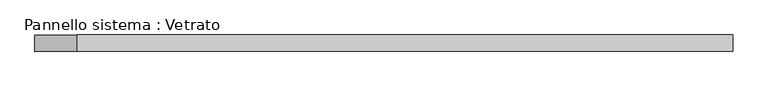
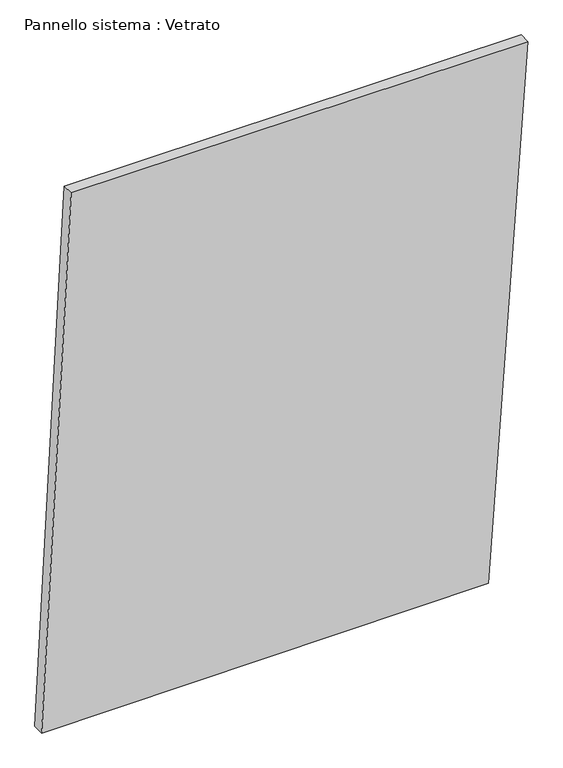
"""IFC4 building model written with IfcOpenShell, lengths in millimetres: plate geometry, Pannello sistema : Vetrato."""

from ifc_helpers import new_model, si_unit, frame, origin, place, context, project, spatial, polyline, outline, extrude, source, transform, mapped, element, save


def pannello_sistema_vetrato_6a021f14(model_context):
    return source(origin(), model_context, "Body", "SweptSolid", [
        extrude(outline(polyline([(0.0, -632.8730552), (5.1551556, 529.8744247), (1458.2179784, 632.8730552), (1458.2179784, -556.0413599), (0.0, -632.8730552)])), frame((0.0, -15.0, 0.0), z_axis=(0.0, 1.0, 0.0), x_axis=(0.0, 0.0, 1.0)), (0.0, 0.0, 1.0), 30.0),
    ])


if __name__ == "__main__":
    model = new_model("IFC4")
    model_context = context("Model", 3, world=origin())
    ifc_project = project(units=[si_unit("LENGTHUNIT", "METRE", prefix="MILLI")], contexts=[model_context])
    site = spatial("IfcSite", under=ifc_project)
    building = spatial("IfcBuilding", under=site)
    placement = place(None, origin())
    pannello_sistema_vetrato_shape = pannello_sistema_vetrato_6a021f14(model_context)
    element("IfcPlate", 1, ObjectType="Pannello sistema : Vetrato", at=placement, inside=building, context=model_context, shape_type="MappedRepresentation", body=[
        mapped(pannello_sistema_vetrato_shape, transform((0.0, 0.0, 0.0), x_axis=(1.0, 0.0, 0.0), y_axis=(0.0, 1.0, 0.0), z_axis=(0.0, 0.0, 1.0))),
    ])
    save(model, "model.ifc")
